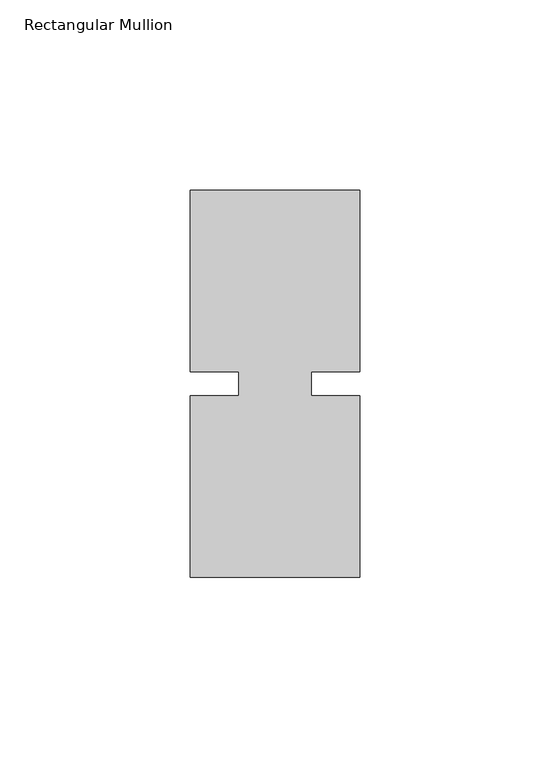
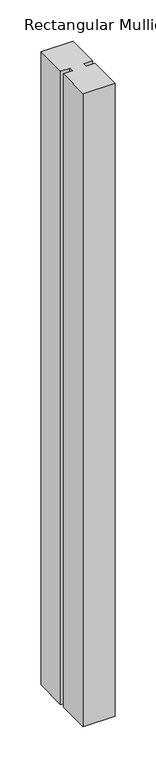
"""IFC4 building model written with IfcOpenShell, lengths in millimetres: member geometry, Rectangular Mullion."""

from ifc_helpers import new_model, si_unit, frame, origin, place, context, project, spatial, polyline, outline, extrude, source, transform, mapped, element, save


def rectangular_mullion_7ad231d7(model_context):
    return source(origin(), model_context, "Body", "SweptSolid", [
        extrude(outline(polyline([(26.5594027, 50.8), (26.5594027, 3.175), (13.8576322, 3.175), (13.8576322, -3.175), (26.5594027, -3.175), (26.5594027, -50.8), (-17.8905973, -50.8), (-17.8905973, -3.175), (-5.1905973, -3.175), (-5.1905973, 3.175), (-17.8905973, 3.175), (-17.8905973, 50.8), (26.5594027, 50.8)])), frame((0.0, 0.0, -935.4655973), z_axis=(0.0, 0.0, 1.0), x_axis=(1.0, 0.0, 0.0)), (0.0, 0.0, 1.0), 935.4655973),
    ])


if __name__ == "__main__":
    model = new_model("IFC4")
    model_context = context("Model", 3, world=origin())
    ifc_project = project(units=[si_unit("LENGTHUNIT", "METRE", prefix="MILLI")], contexts=[model_context])
    site = spatial("IfcSite", under=ifc_project)
    building = spatial("IfcBuilding", under=site)
    placement = place(None, origin())
    rectangular_mullion_shape = rectangular_mullion_7ad231d7(model_context)
    element("IfcMember", 1, ObjectType="Rectangular Mullion", at=placement, inside=building, context=model_context, shape_type="MappedRepresentation", body=[
        mapped(rectangular_mullion_shape, transform((0.0, 0.0, 0.0), x_axis=(1.0, 0.0, 0.0), y_axis=(0.0, 1.0, 0.0), z_axis=(0.0, 0.0, 1.0))),
    ])
    save(model, "model.ifc")
